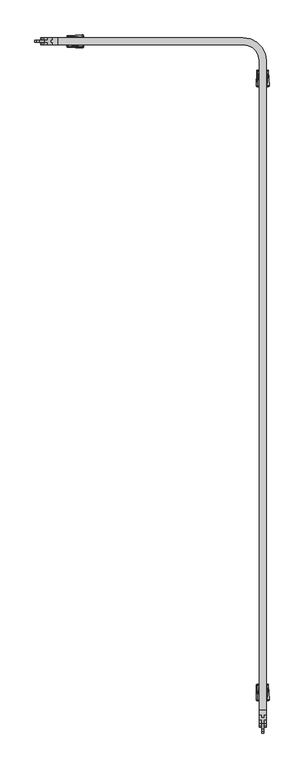
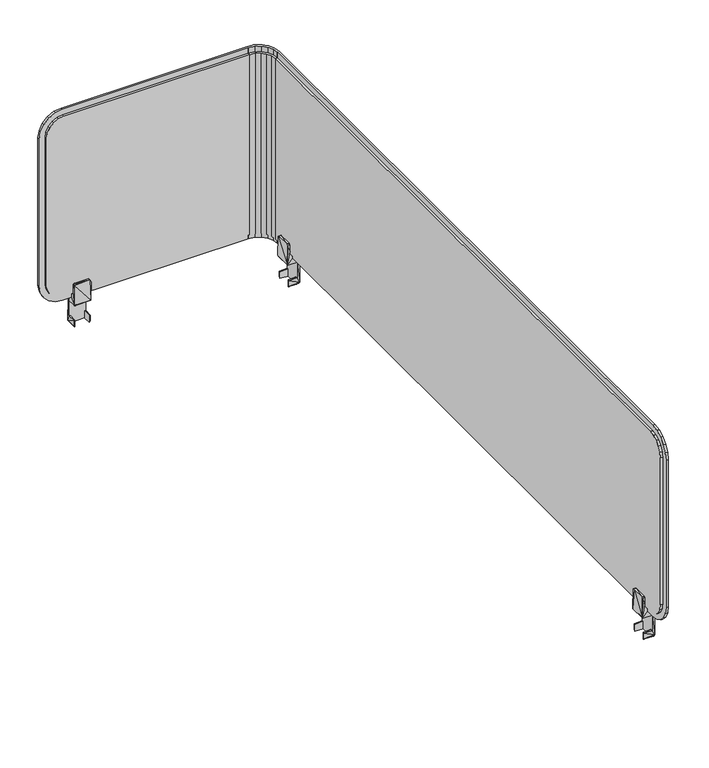
"""IFC4 building model written with IfcOpenShell, lengths in millimetres: furniture geometry."""

from ifc_helpers import new_model, si_unit, origin, place, context, project, spatial, triangles, source, transform, mapped, element, save


def furniture_9fd78328(model_context):
    return source(origin(), model_context, "Body", "Tessellation", [
        triangles([(2878.1908621, 2511.8171302, 1058.9999674), (3227.9408437, 2511.8171302, 1089.0000257), (2908.1908478, 2511.8171302, 1089.0000257), (3227.9408437, 2511.8171302, 760.9999884), (2878.1908621, 2511.8171302, 790.9999741), (2908.1908478, 2511.8171302, 760.9999884), (2879.6588685, 2511.8171302, 781.7290283), (2883.9198729, 2511.8171302, 773.3660213), (2890.5568225, 2511.8171302, 766.7289991), (2898.9198294, 2511.8171302, 762.4679947), (2879.6588685, 2511.8171302, 1068.2709858), (2883.9198729, 2511.8171302, 1076.6339928), (2890.5568225, 2511.8171302, 1083.271015), (2898.9198294, 2511.8171302, 1087.5320194), (3238.2218296, 2514.2041302, 760.9999884), (3228.4408496, 2511.816131, 760.9999884), (3228.4408496, 2515.8161321, 760.9999884), (3236.9858585, 2510.4001291, 760.9999884), (3247.0408407, 2509.6761362, 760.9999884), (3244.6888404, 2506.4401328, 760.9999884), (3254.0498242, 2502.6671346, 760.9999884), (3250.8138299, 2500.3151342, 760.9999884), (3258.5778545, 2493.8481325, 760.9999884), (3254.7738352, 2492.6121342, 760.9999884), (3260.1898564, 2484.0671343, 760.9999884), (3256.1898462, 2484.0671343, 760.9999884), (3236.9858585, 2510.4001291, 1089.0000257), (3228.4408496, 2511.816131, 1089.0000257), (3244.6888404, 2506.4401328, 1089.0000257), (3250.8138299, 2500.3151342, 1089.0000257), (3254.7738352, 2492.6121342, 1089.0000257), (3256.1898462, 2484.0671343, 1089.0000257), (3256.1908272, 2483.5671285, 1089.0000257), (3260.1908374, 2483.5671285, 760.9999884), (3256.1908272, 2483.5671285, 760.9999884), (3260.1908374, 2483.5671285, 1089.0000257), (3264.1908476, 2483.5671285, 760.9999884), (3264.1908476, 2483.5671285, 1089.0000257), (3267.1908462, 2483.5671285, 760.9999884), (3267.1908462, 2483.5671285, 1089.0000257), (3264.1908476, 2483.5671285, 751.0000174), (3260.1908374, 2483.5671285, 751.0000174), (3260.1908374, 2483.5671285, 1098.9999968), (3264.1908476, 2483.5671285, 1098.9999968), (3256.1908272, 1333.817159, 1058.9999674), (3256.1908272, 1333.817159, 790.9999741), (3256.1908272, 1363.8171447, 760.9999884), (3256.1908272, 1335.2851653, 781.7290283), (3256.1908272, 1339.5460971, 773.3660213), (3256.1908272, 1363.8171447, 1089.0000257), (3256.1908272, 1335.2851653, 1068.2709858), (3256.1908272, 1339.5460971, 1076.6339928), (3256.1908272, 1346.1831193, 1083.271015), (3256.1908272, 1354.5471437, 1087.5320194), (3256.1908272, 1346.1831193, 766.7289991), (3256.1908272, 1354.5471437, 762.4679947), (3227.9408437, 2519.8171324, 760.9999884), (3227.9408437, 2515.8171313, 751.0000174), (3227.9408437, 2519.8171324, 751.0000174), (3227.9408437, 2515.8171313, 760.9999884), (3227.9408437, 2519.8171324, 1089.0000257), (3227.9408437, 2515.8171313, 1089.0000257), (3227.9408437, 2519.8171324, 1098.9999968), (3227.9408437, 2515.8171313, 1098.9999968), (3227.9408437, 2522.817131, 1089.0000257), (3227.9408437, 2522.817131, 760.9999884), (3228.4408496, 2519.8161332, 1089.0000257), (3228.4408496, 2515.8161321, 1098.9999968), (3228.4408496, 2519.8161332, 1098.9999968), (3228.4408496, 2515.8161321, 1089.0000257), (3228.4408496, 2519.8161332, 751.0000174), (3228.4408496, 2515.8161321, 751.0000174), (3228.4408496, 2519.8161332, 760.9999884), (3228.4408496, 2522.817131, 1089.0000257), (3228.4408496, 2522.817131, 760.9999884), (3264.1898303, 2484.0671343, 760.9999884), (3260.1898564, 2484.0671343, 751.0000174), (3264.1898303, 2484.0671343, 751.0000174), (3264.1898303, 2484.0671343, 1089.0000257), (3260.1898564, 2484.0671343, 1089.0000257), (3264.1898303, 2484.0671343, 1098.9999968), (3260.1898564, 2484.0671343, 1098.9999968), (3267.1908462, 2484.0671343, 1089.0000257), (3267.1908462, 2484.0671343, 760.9999884), (3266.2328378, 2496.178132, 760.9999884), (3268.1908579, 2483.8171314, 1089.0000257), (3268.1908579, 2483.8171314, 760.9999884), (3266.2328378, 2496.178132, 1089.0000257), (3260.5518256, 2507.3281328, 760.9999884), (3260.5518256, 2507.3281328, 1089.0000257), (3251.7018571, 2516.1781285, 760.9999884), (3251.7018571, 2516.1781285, 1089.0000257), (3240.5518472, 2521.8591317, 760.9999884), (3240.5518472, 2521.8591317, 1089.0000257), (3228.1908285, 2523.8171336, 760.9999884), (3228.1908285, 2523.8171336, 1089.0000257), (2908.1908478, 2515.8171313, 760.9999884), (2908.1908478, 2515.8171313, 1089.0000257), (2878.1908621, 2515.8171313, 790.9999741), (2879.6588685, 2515.8171313, 781.7290283), (2883.9198729, 2515.8171313, 773.3660213), (2890.5568225, 2515.8171313, 766.7289991), (2898.9198294, 2515.8171313, 762.4679947), (2878.1908621, 2515.8171313, 1058.9999674), (2898.9198294, 2515.8171313, 1087.5320194), (2890.5568225, 2515.8171313, 1083.271015), (2883.9198729, 2515.8171313, 1076.6339928), (2879.6588685, 2515.8171313, 1068.2709858), (3258.5778545, 2493.8481325, 1089.0000257), (3254.0498242, 2502.6671346, 1089.0000257), (3247.0408407, 2509.6761362, 1089.0000257), (3238.2218296, 2514.2041302, 1089.0000257), (3260.1908374, 1363.8171447, 1089.0000257), (3260.1908374, 1363.8171447, 760.9999884), (3260.1908374, 1333.817159, 1058.9999674), (3260.1908374, 1335.2851653, 1068.2709858), (3260.1908374, 1339.5460971, 1076.6339928), (3260.1908374, 1346.1831193, 1083.271015), (3260.1908374, 1354.5471437, 1087.5320194), (3260.1908374, 1333.817159, 790.9999741), (3260.1908374, 1354.5471437, 762.4679947), (3260.1908374, 1346.1831193, 766.7289991), (3260.1908374, 1339.5460971, 773.3660213), (3260.1908374, 1335.2851653, 781.7290283), (3239.457837, 2518.0081313, 751.0000174), (3238.2218296, 2514.2041302, 751.0000174), (3249.3918236, 2512.9121306, 751.0000174), (3247.0408407, 2509.6761362, 751.0000174), (3254.0498242, 2502.6671346, 751.0000174), (3257.2858549, 2505.0181357, 751.0000174), (3258.5778545, 2493.8481325, 751.0000174), (3262.3818374, 2495.0841308, 751.0000174), (2908.1908478, 2515.8171313, 751.0000174), (2908.1908478, 2519.8171324, 751.0000174), (3260.1908374, 1363.8171447, 751.0000174), (3264.1908476, 1363.8171447, 751.0000174), (3239.457837, 2518.0081313, 760.9999884), (3249.3918236, 2512.9121306, 760.9999884), (3257.2858549, 2505.0181357, 760.9999884), (3262.3818374, 2495.0841308, 760.9999884), (2908.1908478, 2519.8171324, 760.9999884), (2908.1908478, 2523.8171336, 760.9999884), (3268.1908579, 1363.8171447, 760.9999884), (3264.1908476, 1363.8171447, 760.9999884), (2908.1908478, 2519.8171324, 1089.0000257), (2908.1908478, 2519.8171324, 1098.9999968), (2895.8298291, 2519.8171324, 1097.0419767), (2898.9198294, 2519.8171324, 1087.5320194), (2884.6798556, 2519.8171324, 1091.3610008), (2890.5568225, 2519.8171324, 1083.271015), (2875.8298144, 2519.8171324, 1082.5110323), (2883.9198729, 2519.8171324, 1076.6339928), (2870.1488385, 2519.8171324, 1071.3609861), (2879.6588685, 2519.8171324, 1068.2709858), (2868.1908185, 2519.8171324, 1058.9999674), (2878.1908621, 2519.8171324, 1058.9999674), (2868.1908185, 2519.8171324, 790.9999741), (2878.1908621, 2519.8171324, 790.9999741), (2879.6588685, 2519.8171324, 781.7290283), (2870.1488385, 2519.8171324, 778.639028), (2883.9198729, 2519.8171324, 773.3660213), (2875.8298144, 2519.8171324, 767.4889818), (2890.5568225, 2519.8171324, 766.7289991), (2884.6798556, 2519.8171324, 758.6390133), (2898.9198294, 2519.8171324, 762.4679947), (2895.8298291, 2519.8171324, 752.9579647), (2908.1908478, 2523.8171336, 1089.0000257), (3239.457837, 2518.0081313, 1089.0000257), (3249.3918236, 2512.9121306, 1089.0000257), (3257.2858549, 2505.0181357, 1089.0000257), (3262.3818374, 2495.0841308, 1089.0000257), (3268.1908579, 1363.8171447, 1089.0000257), (3264.1908476, 1363.8171447, 1089.0000257), (3260.1908374, 1363.8171447, 1098.9999968), (3260.1908374, 1351.4561259, 1097.0419767), (3260.1908374, 1340.3061525, 1091.3610008), (3260.1908374, 1331.4561113, 1082.5110323), (3260.1908374, 1325.7751353, 1071.3609861), (3260.1908374, 1323.8171153, 1058.9999674), (3260.1908374, 1323.8171153, 790.9999741), (3260.1908374, 1325.7751353, 778.639028), (3260.1908374, 1331.4561113, 767.4889818), (3260.1908374, 1340.3061525, 758.6390133), (3260.1908374, 1351.4561259, 752.9579647), (2868.1908185, 2515.8171313, 1058.9999674), (2870.1488385, 2515.8171313, 1071.3609861), (2875.8298144, 2515.8171313, 1082.5110323), (2884.6798556, 2515.8171313, 1091.3610008), (2895.8298291, 2515.8171313, 1097.0419767), (2908.1908478, 2515.8171313, 1098.9999968), (2868.1908185, 2515.8171313, 790.9999741), (2870.1488385, 2515.8171313, 778.639028), (2875.8298144, 2515.8171313, 767.4889818), (2884.6798556, 2515.8171313, 758.6390133), (2895.8298291, 2515.8171313, 752.9579647), (3239.457837, 2518.0081313, 1098.9999968), (3238.2218296, 2514.2041302, 1098.9999968), (3249.3918236, 2512.9121306, 1098.9999968), (3247.0408407, 2509.6761362, 1098.9999968), (3254.0498242, 2502.6671346, 1098.9999968), (3257.2858549, 2505.0181357, 1098.9999968), (3258.5778545, 2493.8481325, 1098.9999968), (3262.3818374, 2495.0841308, 1098.9999968), (3264.1908476, 1363.8171447, 1098.9999968), (3264.1908476, 1351.4561259, 1097.0419767), (3264.1908476, 1340.3061525, 1091.3610008), (3264.1908476, 1331.4561113, 1082.5110323), (3264.1908476, 1325.7751353, 1071.3609861), (3264.1908476, 1323.8171153, 1058.9999674), (3264.1908476, 1354.5471437, 1087.5320194), (3264.1908476, 1346.1831193, 1083.271015), (3264.1908476, 1339.5460971, 1076.6339928), (3264.1908476, 1335.2851653, 1068.2709858), (3264.1908476, 1333.817159, 1058.9999674), (3264.1908476, 1333.817159, 790.9999741), (3264.1908476, 1323.8171153, 790.9999741), (3264.1908476, 1335.2851653, 781.7290283), (3264.1908476, 1325.7751353, 778.639028), (3264.1908476, 1339.5460971, 773.3660213), (3264.1908476, 1331.4561113, 767.4889818), (3264.1908476, 1346.1831193, 766.7289991), (3264.1908476, 1340.3061525, 758.6390133), (3264.1908476, 1354.5471437, 762.4679947), (3264.1908476, 1351.4561259, 752.9579647), (3268.1908579, 1354.5471437, 762.4679947), (3268.1908579, 1346.1831193, 766.7289991), (3268.1908579, 1339.5460971, 773.3660213), (3268.1908579, 1335.2851653, 781.7290283), (3268.1908579, 1333.817159, 790.9999741), (3268.1908579, 1333.817159, 1058.9999674), (3268.1908579, 1335.2851653, 1068.2709858), (3268.1908579, 1339.5460971, 1076.6339928), (3268.1908579, 1346.1831193, 1083.271015), (3268.1908579, 1354.5471437, 1087.5320194), (2878.1908621, 2523.8171336, 790.9999741), (2879.6588685, 2523.8171336, 781.7290283), (2890.5568225, 2523.8171336, 1083.271015), (2898.9198294, 2523.8171336, 1087.5320194), (2883.9198729, 2523.8171336, 1076.6339928), (2879.6588685, 2523.8171336, 1068.2709858), (2878.1908621, 2523.8171336, 1058.9999674), (2883.9198729, 2523.8171336, 773.3660213), (2890.5568225, 2523.8171336, 766.7289991), (2898.9198294, 2523.8171336, 762.4679947)], [[1, 2, 3], [4, 2, 1], [1, 5, 4], [5, 6, 4], [5, 7, 6], [7, 8, 6], [8, 9, 6], [9, 10, 6], [3, 11, 1], [3, 12, 11], [3, 13, 12], [3, 14, 13], [15, 16, 17], [15, 18, 16], [19, 18, 15], [19, 20, 18], [21, 20, 19], [21, 22, 20], [23, 22, 21], [23, 24, 22], [25, 24, 23], [25, 26, 24], [16, 27, 28], [18, 27, 16], [29, 27, 18], [20, 29, 18], [30, 29, 20], [22, 30, 20], [24, 30, 22], [31, 30, 24], [32, 31, 24], [24, 26, 32], [33, 34, 35], [36, 34, 33], [37, 34, 36], [38, 37, 36], [39, 37, 38], [40, 39, 38], [34, 41, 42], [37, 41, 34], [38, 43, 44], [36, 43, 38], [35, 45, 33], [35, 46, 45], [35, 47, 46], [47, 48, 46], [47, 49, 48], [45, 50, 33], [45, 51, 50], [51, 52, 50], [52, 53, 50], [53, 54, 50], [47, 55, 49], [47, 56, 55], [57, 58, 59], [60, 58, 57], [61, 60, 57], [62, 60, 61], [63, 62, 61], [64, 62, 63], [62, 4, 60], [2, 4, 62], [57, 65, 61], [66, 65, 57], [67, 68, 69], [70, 68, 67], [17, 70, 67], [28, 70, 17], [16, 28, 17], [17, 71, 72], [73, 71, 17], [67, 73, 17], [74, 73, 67], [75, 73, 74], [76, 77, 78], [25, 77, 76], [79, 25, 76], [80, 25, 79], [81, 80, 79], [82, 80, 81], [25, 32, 26], [80, 32, 25], [76, 83, 79], [84, 83, 76], [66, 74, 65], [75, 74, 66], [84, 40, 83], [39, 40, 84], [85, 86, 87], [88, 86, 85], [89, 88, 85], [90, 88, 89], [91, 90, 89], [92, 90, 91], [93, 92, 91], [94, 92, 93], [95, 94, 93], [96, 94, 95], [6, 60, 4], [97, 60, 6], [2, 98, 3], [62, 98, 2], [99, 7, 5], [100, 7, 99], [8, 7, 100], [101, 8, 100], [9, 8, 101], [102, 9, 101], [10, 9, 102], [103, 10, 102], [97, 10, 103], [6, 10, 97], [1, 99, 5], [104, 99, 1], [98, 14, 3], [105, 14, 98], [13, 14, 105], [106, 13, 105], [12, 13, 106], [107, 12, 106], [11, 12, 107], [108, 11, 107], [104, 11, 108], [1, 11, 104], [80, 31, 32], [109, 31, 80], [30, 31, 109], [110, 30, 109], [29, 30, 110], [111, 29, 110], [27, 29, 111], [112, 27, 111], [28, 27, 112], [70, 28, 112], [33, 113, 36], [50, 113, 33], [34, 47, 35], [114, 47, 34], [115, 51, 45], [116, 51, 115], [52, 51, 116], [117, 52, 116], [53, 52, 117], [118, 53, 117], [54, 53, 118], [119, 54, 118], [113, 54, 119], [50, 54, 113], [46, 115, 45], [120, 115, 46], [114, 56, 47], [121, 56, 114], [55, 56, 121], [122, 55, 121], [49, 55, 122], [123, 49, 122], [48, 49, 123], [124, 48, 123], [120, 48, 124], [46, 48, 120], [125, 72, 71], [125, 126, 72], [127, 126, 125], [127, 128, 126], [129, 128, 127], [130, 129, 127], [131, 129, 130], [132, 131, 130], [77, 131, 132], [78, 77, 132], [133, 59, 58], [134, 59, 133], [41, 135, 42], [136, 135, 41], [72, 15, 17], [126, 15, 72], [19, 15, 126], [128, 19, 126], [21, 19, 128], [129, 21, 128], [23, 21, 129], [131, 23, 129], [77, 23, 131], [25, 23, 77], [73, 125, 71], [137, 125, 73], [127, 125, 137], [138, 127, 137], [130, 127, 138], [139, 130, 138], [132, 130, 139], [140, 132, 139], [76, 132, 140], [78, 132, 76], [141, 66, 57], [142, 66, 141], [95, 66, 142], [75, 66, 95], [93, 75, 95], [137, 75, 93], [138, 137, 93], [137, 73, 75], [91, 138, 93], [139, 138, 91], [89, 139, 91], [140, 139, 89], [85, 140, 89], [76, 140, 85], [84, 76, 85], [87, 84, 85], [39, 84, 87], [143, 39, 87], [144, 39, 143], [37, 39, 144], [145, 63, 61], [146, 63, 145], [147, 146, 145], [145, 148, 147], [149, 147, 148], [148, 150, 149], [151, 149, 150], [150, 152, 151], [153, 151, 152], [152, 154, 153], [155, 153, 154], [154, 156, 155], [157, 155, 156], [158, 157, 156], [159, 157, 158], [160, 157, 159], [161, 160, 159], [162, 160, 161], [163, 162, 161], [164, 162, 163], [165, 164, 163], [166, 164, 165], [141, 166, 165], [134, 166, 141], [57, 134, 141], [59, 134, 57], [65, 145, 61], [167, 145, 65], [96, 167, 65], [74, 96, 65], [94, 96, 74], [168, 94, 74], [169, 94, 168], [92, 94, 169], [170, 92, 169], [90, 92, 170], [171, 90, 170], [88, 90, 171], [79, 88, 171], [83, 88, 79], [86, 88, 83], [40, 86, 83], [172, 86, 40], [173, 172, 40], [40, 38, 173], [74, 67, 168], [113, 43, 36], [174, 43, 113], [175, 174, 113], [113, 176, 175], [113, 119, 176], [119, 118, 176], [177, 176, 118], [118, 117, 177], [178, 177, 117], [117, 116, 178], [179, 178, 116], [116, 115, 179], [180, 179, 115], [120, 180, 115], [124, 180, 120], [181, 180, 124], [123, 181, 124], [182, 181, 123], [122, 182, 123], [183, 182, 122], [121, 183, 122], [114, 183, 121], [114, 184, 183], [135, 184, 114], [135, 34, 42], [114, 34, 135], [185, 108, 186], [185, 104, 108], [99, 104, 185], [107, 186, 108], [187, 186, 107], [106, 187, 107], [188, 187, 106], [105, 188, 106], [189, 188, 105], [98, 189, 105], [190, 189, 98], [62, 190, 98], [64, 190, 62], [191, 99, 185], [100, 99, 191], [192, 100, 191], [101, 100, 192], [193, 101, 192], [102, 101, 193], [194, 102, 193], [103, 102, 194], [195, 103, 194], [97, 103, 195], [133, 97, 195], [58, 97, 133], [60, 97, 58], [68, 196, 69], [68, 197, 196], [198, 196, 197], [197, 199, 198], [200, 198, 199], [201, 198, 200], [202, 201, 200], [203, 201, 202], [82, 203, 202], [81, 203, 82], [64, 146, 190], [63, 146, 64], [204, 43, 174], [44, 43, 204], [112, 68, 70], [197, 68, 112], [199, 197, 112], [111, 199, 112], [200, 199, 111], [110, 200, 111], [202, 200, 110], [109, 202, 110], [82, 202, 109], [80, 82, 109], [196, 67, 69], [168, 67, 196], [169, 168, 196], [198, 169, 196], [170, 169, 198], [201, 170, 198], [171, 170, 201], [203, 171, 201], [79, 171, 203], [81, 79, 203], [186, 155, 185], [153, 155, 186], [187, 153, 186], [151, 153, 187], [188, 151, 187], [149, 151, 188], [189, 149, 188], [147, 149, 189], [190, 147, 189], [146, 147, 190], [157, 185, 155], [191, 185, 157], [160, 191, 157], [192, 191, 160], [162, 192, 160], [193, 192, 162], [164, 193, 162], [194, 193, 164], [166, 194, 164], [195, 194, 166], [134, 195, 166], [133, 195, 134], [175, 204, 174], [205, 204, 175], [176, 205, 175], [206, 205, 176], [177, 206, 176], [207, 206, 177], [178, 207, 177], [208, 207, 178], [179, 208, 178], [209, 208, 179], [204, 38, 44], [173, 38, 204], [205, 173, 204], [206, 173, 205], [206, 210, 173], [206, 211, 210], [207, 211, 206], [207, 212, 211], [208, 212, 207], [208, 213, 212], [209, 213, 208], [209, 214, 213], [215, 214, 209], [216, 215, 209], [217, 215, 216], [218, 217, 216], [219, 217, 218], [220, 219, 218], [221, 219, 220], [222, 221, 220], [223, 221, 222], [144, 223, 222], [144, 41, 37], [136, 41, 144], [224, 136, 144], [144, 222, 224], [143, 223, 144], [225, 223, 143], [221, 223, 225], [226, 221, 225], [219, 221, 226], [227, 219, 226], [217, 219, 227], [228, 217, 227], [229, 217, 228], [215, 217, 229], [86, 172, 230], [172, 231, 230], [172, 232, 231], [230, 87, 86], [230, 229, 87], [229, 143, 87], [229, 228, 143], [228, 227, 143], [227, 226, 143], [226, 225, 143], [172, 233, 232], [172, 234, 233], [230, 213, 214], [231, 213, 230], [212, 213, 231], [232, 212, 231], [211, 212, 232], [233, 211, 232], [210, 211, 233], [234, 210, 233], [172, 210, 234], [173, 210, 172], [230, 215, 229], [214, 215, 230], [95, 167, 96], [142, 167, 95], [142, 235, 167], [142, 236, 235], [167, 237, 238], [239, 237, 167], [240, 239, 167], [167, 241, 240], [235, 241, 167], [142, 242, 236], [142, 243, 242], [142, 244, 243], [235, 156, 241], [158, 156, 235], [235, 159, 158], [236, 159, 235], [161, 159, 236], [242, 161, 236], [163, 161, 242], [243, 163, 242], [165, 163, 243], [244, 165, 243], [142, 165, 244], [141, 165, 142], [167, 148, 145], [238, 148, 167], [150, 148, 238], [237, 150, 238], [152, 150, 237], [239, 152, 237], [154, 152, 239], [240, 154, 239], [241, 154, 240], [156, 154, 241], [209, 180, 216], [179, 180, 209], [181, 216, 180], [218, 216, 181], [182, 218, 181], [220, 218, 182], [183, 220, 182], [222, 220, 183], [184, 222, 183], [224, 222, 184], [135, 224, 184], [136, 224, 135]]),
        triangles([(3268.1908579, 1408.6831561, 740.9999737), (3268.1908579, 1408.6831561, 712.4999691), (3268.1908579, 1405.8171247, 713.0000113), (3268.1908579, 1378.9511047, 740.9999737), (3268.1908579, 1381.8171361, 713.0000113), (3268.1908579, 1378.9511047, 712.4999691), (3268.1908579, 1405.8171247, 699.4169741), (3268.1908579, 1381.8171361, 699.4169741), (3272.2168476, 1408.0561595, 701.5530355), (3272.2168476, 1406.2641177, 778.7390219), (3268.5068269, 1408.8091659, 764.6909695), (3268.8288276, 1408.133117, 776.9910181), (3251.9258259, 1408.2611615, 741.5000158), (3260.3158298, 1408.6111402, 751.0000174), (3264.31584, 1408.7161483, 751.0000174), (3264.31584, 1408.7161483, 760.5000189), (3256.4408483, 1408.5091115, 764.3750004), (3252.4148586, 1407.7901147, 776.7929924), (3256.1148508, 1407.8741212, 776.8410273), (3260.3158298, 1408.6111402, 760.5000189), (3254.1908403, 1381.4501527, 712.6330278), (3254.1908403, 1381.4501527, 700.0170101), (3273.1908434, 1380.4441095, 702.053005), (3272.2168476, 1379.5781013, 776.9469801), (3268.5068269, 1378.8251676, 764.6909695), (3268.8288276, 1379.5011438, 776.9910181), (3254.1908403, 1379.3171434, 712.1340031), (3254.1908403, 1379.456161, 702.4329964), (3254.1908403, 1406.1841081, 712.6330278), (3254.1908403, 1407.9511514, 712.4990244), (3254.1908403, 1406.1841081, 700.0170101), (3272.2168476, 1381.370143, 699.7609938), (3272.2168476, 1406.2641177, 699.7609938), (3254.1908403, 1407.3911565, 701.0510313), (3254.1908403, 1408.177155, 702.4329964), (3264.31584, 1405.9221328, 760.5000189), (3264.31584, 1405.6731654, 751.0000174), (3268.5068269, 1406.1411601, 764.6909695), (3260.3158298, 1405.8171247, 760.5000189), (3256.4408483, 1405.8171247, 764.3750004), (3260.3158298, 1405.5681573, 751.0000174), (3256.4408483, 1381.8171361, 764.3750004), (3256.4408483, 1379.1251493, 764.3750004), (3260.3158298, 1381.8171361, 760.5000189), (3260.3158298, 1379.0231206, 760.5000189), (3260.3158298, 1379.0231206, 751.0000174), (3260.3158298, 1382.0661035, 751.0000174), (3264.31584, 1381.961168, 751.0000174), (3264.31584, 1378.9181125, 751.0000174), (3264.31584, 1381.712128, 760.5000189), (3264.31584, 1378.9181125, 760.5000189), (3268.5068269, 1381.4931007, 764.6909695), (3251.933856, 1379.7361585, 740.7930096), (3251.9258259, 1379.3730992, 774.4999638), (3256.1148508, 1379.7601396, 776.8410273), (3256.0698317, 1381.4751512, 778.5550215), (3256.0698317, 1406.1591096, 778.5550215), (3252.4148586, 1381.5241307, 778.4720324), (3251.9258259, 1403.8171014, 778.9440239), (3273.1908434, 1381.8701125, 777.8730137), (3267.9778258, 1405.5991147, 744.4999781), (3267.9778258, 1382.0351461, 744.4999781), (3268.8768262, 1406.3081557, 778.8140173), (3268.8768262, 1381.326105, 778.8140173), (3256.9608384, 1405.3101062, 744.4999781), (3256.9608384, 1382.3241546, 744.4999781), (3251.4408265, 1380.2300964, 741.5000158), (3251.4408265, 1407.4041644, 741.5000158), (3252.4408381, 1380.2300964, 740.5000042), (3251.9408323, 1407.4041644, 740.6340076), (3268.1908579, 2468.4331322, 740.9999737), (3268.1908579, 2468.4331322, 712.4999691), (3268.1908579, 2465.5671326, 713.0000113), (3268.1908579, 2438.7011307, 740.9999737), (3268.1908579, 2441.5671304, 713.0000113), (3268.1908579, 2438.7011307, 712.4999691), (3268.1908579, 2465.5671326, 699.4169741), (3268.1908579, 2441.5671304, 699.4169741), (3272.2168476, 2467.8061311, 701.5530355), (3272.2168476, 2466.0141302, 778.7390219), (3268.5068269, 2468.5591329, 764.6909695), (3268.8288276, 2467.883134, 776.9910181), (3251.9258259, 2468.0111331, 741.5000158), (3260.3158298, 2468.3611299, 751.0000174), (3264.31584, 2468.4661335, 751.0000174), (3264.31584, 2468.4661335, 760.5000189), (3256.4408483, 2468.259133, 764.3750004), (3252.4148586, 2467.5391325, 776.7929924), (3256.1148508, 2467.6241336, 776.8410273), (3260.3158298, 2468.3611299, 760.5000189), (3254.1908403, 2441.2001333, 712.6330278), (3254.1908403, 2441.2001333, 700.0170101), (3273.1908434, 2440.194131, 702.053005), (3272.2168476, 2439.3281319, 776.9469801), (3268.5068269, 2438.5751301, 764.6909695), (3268.8288276, 2439.2511335, 776.9910181), (3254.1908403, 2439.0681323, 712.1340031), (3254.1908403, 2439.2061326, 702.4329964), (3254.1908403, 2465.9341342, 712.6330278), (3254.1908403, 2467.701132, 712.4990244), (3254.1908403, 2465.9341342, 700.0170101), (3272.2168476, 2441.1201328, 699.7609938), (3254.1908403, 2467.1411326, 701.0510313), (3254.1908403, 2467.9281304, 702.4329964), (3264.31584, 2465.6721316, 760.5000189), (3264.31584, 2465.4231325, 751.0000174), (3268.5068269, 2465.8911317, 764.6909695), (3260.3158298, 2465.5671326, 760.5000189), (3256.4408483, 2465.5671326, 764.3750004), (3260.3158298, 2465.3181334, 751.0000174), (3256.4408483, 2441.5671304, 764.3750004), (3256.4408483, 2438.8751299, 764.3750004), (3260.3158298, 2441.5671304, 760.5000189), (3260.3158298, 2438.7731331, 760.5000189), (3260.3158298, 2438.7731331, 751.0000174), (3260.3158298, 2441.8161341, 751.0000174), (3264.31584, 2441.7111305, 751.0000174), (3264.31584, 2438.668134, 751.0000174), (3264.31584, 2441.4621313, 760.5000189), (3264.31584, 2438.668134, 760.5000189), (3268.5068269, 2441.2431313, 764.6909695), (3251.933856, 2439.48613, 740.7930096), (3251.9258259, 2439.1231299, 774.4999638), (3256.1148508, 2439.5101339, 776.8410273), (3256.0698317, 2441.2251318, 778.5550215), (3256.0698317, 2465.9091311, 778.5550215), (3252.4148586, 2441.2741341, 778.4720324), (3251.9258259, 2463.567132, 778.9440239), (3273.1908434, 2441.6201341, 777.8730137), (3267.9778258, 2465.3491317, 744.4999781), (3267.9778258, 2441.7851313, 744.4999781), (3268.8768262, 2466.0581319, 778.8140173), (3268.8768262, 2441.0751319, 778.8140173), (3256.9608384, 2465.0601323, 744.4999781), (3256.9608384, 2442.0741307, 744.4999781), (3251.4408265, 2439.9801315, 741.5000158), (3252.4408381, 2439.9801315, 740.5000042), (3251.9408323, 2467.1541314, 740.6340076), (2923.3248078, 2523.8171336, 740.9999737), (2923.3248078, 2523.8171336, 712.4999691), (2926.1908393, 2523.8171336, 713.0000113), (2953.0568593, 2523.8171336, 740.9999737), (2950.1908278, 2523.8171336, 713.0000113), (2953.0568593, 2523.8171336, 712.4999691), (2926.1908393, 2523.8171336, 699.4169741), (2950.1908278, 2523.8171336, 699.4169741), (2923.9518044, 2527.8431324, 701.5530355), (2925.7438462, 2527.8431324, 778.7390219), (2923.1988707, 2524.1331299, 764.6909695), (2923.8748469, 2524.4551306, 776.9910181), (2923.7468751, 2507.5521289, 741.5000158), (2923.3968238, 2515.9421328, 751.0000174), (2923.2918156, 2519.9421339, 751.0000174), (2923.2918156, 2519.9421339, 760.5000189), (2923.4988524, 2512.0671331, 764.3750004), (2924.2188666, 2508.0411343, 776.7929924), (2924.1338427, 2511.7411356, 776.8410273), (2923.3968238, 2515.9421328, 760.5000189), (2950.5578112, 2509.8171342, 712.6330278), (2950.5578112, 2509.8171342, 700.0170101), (2951.5638545, 2528.8171281, 702.053005), (2952.4298627, 2527.8431324, 776.9469801), (2953.182869, 2524.1331299, 764.6909695), (2952.5068202, 2524.4551306, 776.9910181), (2952.6898759, 2509.8171342, 712.1340031), (2952.5518756, 2509.8171342, 702.4329964), (2925.8238558, 2509.8171342, 712.6330278), (2924.0568125, 2509.8171342, 712.4990244), (2925.8238558, 2509.8171342, 700.0170101), (2950.6378209, 2527.8431324, 699.7609938), (2924.6168074, 2509.8171342, 701.0510313), (2923.8298642, 2509.8171342, 702.4329964), (2926.0858311, 2519.9421339, 760.5000189), (2926.3348712, 2519.9421339, 751.0000174), (2925.8668765, 2524.1331299, 764.6909695), (2926.1908393, 2515.9421328, 760.5000189), (2926.1908393, 2512.0671331, 764.3750004), (2926.4398066, 2515.9421328, 751.0000174), (2950.1908278, 2512.0671331, 764.3750004), (2952.8828147, 2512.0671331, 764.3750004), (2950.1908278, 2515.9421328, 760.5000189), (2952.9848433, 2515.9421328, 760.5000189), (2952.9848433, 2515.9421328, 751.0000174), (2949.9418605, 2515.9421328, 751.0000174), (2950.0468686, 2519.9421339, 751.0000174), (2953.0898514, 2519.9421339, 751.0000174), (2950.2958359, 2519.9421339, 760.5000189), (2953.0898514, 2519.9421339, 760.5000189), (2950.5148633, 2524.1331299, 764.6909695), (2952.2778371, 2508.0541331, 740.6340076), (2952.6348647, 2507.5521289, 774.4999638), (2952.2478243, 2511.7411356, 776.8410273), (2950.5328128, 2511.6961347, 778.5550215), (2925.8488543, 2511.6961347, 778.5550215), (2950.4838332, 2508.0411343, 778.4720324), (2928.1908625, 2507.5521289, 778.9440239), (2950.1378514, 2528.8171281, 777.8730137), (2926.4088492, 2523.6041288, 744.4999781), (2949.9728179, 2523.6041288, 744.4999781), (2925.6988635, 2524.5031291, 778.8140173), (2950.6828763, 2524.5031291, 778.8140173), (2926.6978577, 2512.5871323, 744.4999781), (2949.6838093, 2512.5871323, 744.4999781), (2951.7778676, 2507.0671294, 741.5000158), (2924.6038722, 2508.067132, 740.5000042), (2951.7778676, 2508.067132, 740.5000042), (2924.6038722, 2507.5671353, 740.6340076), (2952.2718054, 2507.5601317, 740.7930096), (2924.6038722, 2507.2011329, 740.9999737), (2924.10383, 2508.0541331, 740.6340076), (2923.737864, 2508.0441319, 740.9999737)], [[1, 2, 3], [1, 3, 4], [4, 3, 5], [4, 5, 6], [7, 8, 3], [3, 8, 5], [9, 2, 1], [9, 1, 10], [10, 1, 11], [10, 11, 12], [13, 14, 1], [1, 14, 15], [1, 15, 11], [11, 15, 16], [17, 14, 13], [18, 17, 13], [17, 18, 19], [17, 20, 14], [22, 21, 5], [22, 5, 8], [4, 6, 23], [24, 4, 23], [4, 24, 25], [25, 24, 26], [23, 6, 27], [23, 27, 28], [3, 2, 29], [29, 2, 30], [3, 29, 31], [3, 31, 7], [22, 8, 23], [22, 23, 28], [32, 8, 7], [32, 7, 33], [9, 33, 7], [5, 21, 27], [5, 27, 6], [9, 7, 31], [9, 31, 34], [9, 34, 35], [30, 2, 9], [30, 9, 35], [16, 15, 36], [36, 15, 37], [11, 16, 36], [11, 36, 38], [20, 17, 39], [39, 17, 40], [20, 39, 14], [14, 39, 41], [42, 43, 44], [44, 43, 45], [45, 46, 44], [44, 46, 47], [48, 49, 50], [50, 49, 51], [25, 52, 50], [25, 50, 51], [4, 46, 53], [53, 46, 43], [53, 43, 54], [55, 54, 43], [46, 4, 49], [25, 49, 4], [49, 25, 51], [46, 45, 43], [56, 57, 58], [58, 57, 59], [23, 60, 24], [60, 23, 32], [10, 60, 32], [10, 32, 9], [38, 61, 62], [38, 62, 52], [63, 38, 52], [63, 52, 64], [64, 52, 26], [52, 25, 26], [38, 63, 12], [12, 11, 38], [56, 40, 57], [57, 40, 19], [56, 55, 42], [56, 42, 40], [40, 42, 65], [65, 42, 66], [55, 43, 42], [40, 17, 19], [54, 55, 58], [58, 55, 56], [58, 67, 54], [54, 67, 53], [59, 18, 68], [59, 68, 67], [59, 67, 58], [67, 68, 69], [69, 68, 70], [1, 4, 70], [70, 4, 69], [53, 69, 4], [23, 8, 32], [41, 37, 14], [14, 37, 15], [47, 46, 48], [48, 46, 49], [38, 36, 37], [38, 37, 61], [61, 37, 65], [65, 37, 41], [65, 41, 40], [40, 41, 39], [59, 57, 18], [18, 57, 19], [68, 18, 13], [68, 13, 70], [13, 1, 70], [29, 30, 35], [29, 35, 31], [31, 35, 34], [22, 28, 21], [21, 28, 27], [32, 33, 9], [60, 64, 24], [24, 64, 26], [63, 64, 10], [10, 64, 60], [10, 12, 63], [48, 50, 52], [62, 48, 52], [48, 62, 66], [48, 66, 47], [42, 47, 66], [47, 42, 44], [61, 65, 66], [61, 66, 62], [69, 53, 67], [71, 72, 73], [71, 73, 74], [74, 73, 75], [74, 75, 76], [77, 78, 73], [73, 78, 75], [79, 72, 71], [79, 71, 80], [80, 71, 81], [80, 81, 82], [83, 84, 71], [71, 84, 85], [71, 85, 81], [81, 85, 86], [87, 84, 83], [88, 87, 83], [87, 88, 89], [87, 90, 84], [92, 91, 75], [92, 75, 78], [74, 76, 93], [94, 74, 93], [74, 94, 95], [95, 94, 96], [93, 76, 97], [93, 97, 98], [73, 72, 99], [99, 72, 100], [73, 99, 101], [73, 101, 77], [92, 78, 93], [92, 93, 98], [102, 78, 77], [102, 77, 79], [75, 91, 97], [75, 97, 76], [79, 77, 101], [79, 101, 103], [79, 103, 104], [100, 72, 79], [100, 79, 104], [86, 85, 105], [105, 85, 106], [81, 86, 105], [81, 105, 107], [90, 87, 108], [108, 87, 109], [90, 108, 84], [84, 108, 110], [111, 112, 113], [113, 112, 114], [114, 115, 113], [113, 115, 116], [117, 118, 119], [119, 118, 120], [95, 121, 119], [95, 119, 120], [74, 115, 122], [122, 115, 112], [122, 112, 123], [124, 123, 112], [115, 74, 118], [95, 118, 74], [118, 95, 120], [115, 114, 112], [125, 126, 127], [127, 126, 128], [93, 129, 94], [129, 93, 102], [80, 129, 102], [80, 102, 79], [107, 130, 131], [107, 131, 121], [132, 107, 121], [132, 121, 133], [133, 121, 96], [121, 95, 96], [107, 132, 82], [82, 81, 107], [125, 109, 126], [126, 109, 89], [125, 124, 111], [125, 111, 109], [109, 111, 134], [134, 111, 135], [124, 112, 111], [109, 87, 89], [123, 124, 127], [127, 124, 125], [123, 136, 122], [88, 83, 136], [88, 136, 127], [127, 136, 123], [136, 83, 137], [137, 83, 138], [71, 74, 138], [138, 74, 137], [122, 137, 74], [93, 78, 102], [110, 106, 84], [84, 106, 85], [116, 115, 117], [117, 115, 118], [107, 105, 106], [107, 106, 130], [130, 106, 134], [134, 106, 110], [134, 110, 109], [109, 110, 108], [128, 126, 88], [88, 126, 89], [88, 127, 128], [83, 71, 138], [99, 100, 104], [99, 104, 101], [101, 104, 103], [92, 98, 91], [91, 98, 97], [129, 133, 94], [94, 133, 96], [132, 133, 80], [80, 133, 129], [80, 82, 132], [117, 119, 121], [131, 117, 121], [117, 131, 135], [117, 135, 116], [111, 116, 135], [116, 111, 113], [130, 134, 135], [130, 135, 131], [137, 122, 136], [139, 140, 141], [139, 141, 142], [142, 141, 143], [142, 143, 144], [145, 146, 141], [141, 146, 143], [147, 140, 139], [147, 139, 148], [148, 139, 149], [148, 149, 150], [151, 152, 139], [139, 152, 153], [139, 153, 149], [149, 153, 154], [155, 152, 151], [156, 155, 151], [155, 156, 157], [155, 158, 152], [160, 159, 143], [160, 143, 146], [142, 144, 161], [162, 142, 161], [142, 162, 163], [163, 162, 164], [161, 144, 165], [161, 165, 166], [141, 140, 167], [167, 140, 168], [141, 167, 169], [141, 169, 145], [160, 146, 161], [160, 161, 166], [170, 146, 145], [170, 145, 147], [143, 159, 165], [143, 165, 144], [147, 145, 169], [147, 169, 171], [147, 171, 172], [168, 140, 147], [168, 147, 172], [154, 153, 173], [173, 153, 174], [149, 154, 173], [149, 173, 175], [158, 155, 176], [176, 155, 177], [158, 176, 152], [152, 176, 178], [179, 180, 181], [181, 180, 182], [182, 183, 181], [181, 183, 184], [185, 186, 187], [187, 186, 188], [163, 189, 187], [163, 187, 188], [142, 183, 190], [190, 183, 180], [190, 180, 191], [192, 191, 180], [183, 142, 186], [163, 186, 142], [186, 163, 188], [183, 182, 180], [193, 194, 195], [195, 194, 196], [161, 197, 162], [197, 161, 170], [148, 197, 170], [148, 170, 147], [175, 198, 199], [175, 199, 189], [200, 175, 189], [200, 189, 201], [201, 189, 164], [189, 163, 164], [175, 200, 150], [150, 149, 175], [193, 177, 194], [194, 177, 157], [193, 192, 179], [193, 179, 177], [177, 179, 202], [202, 179, 203], [192, 180, 179], [177, 155, 157], [191, 192, 195], [195, 192, 193], [191, 204, 190], [156, 151, 204], [156, 204, 195], [195, 204, 191], [205, 206, 207], [207, 206, 208], [208, 204, 151], [208, 151, 209], [208, 209, 207], [139, 142, 205], [205, 142, 206], [206, 142, 190], [161, 146, 170], [178, 174, 152], [152, 174, 153], [184, 183, 185], [185, 183, 186], [175, 173, 174], [175, 174, 198], [198, 174, 202], [202, 174, 178], [202, 178, 177], [177, 178, 176], [196, 194, 156], [156, 194, 157], [156, 195, 196], [210, 207, 209], [207, 210, 205], [209, 151, 211], [209, 211, 210], [151, 139, 211], [211, 139, 210], [205, 210, 139], [167, 168, 172], [167, 172, 169], [169, 172, 171], [160, 166, 159], [159, 166, 165], [197, 201, 162], [162, 201, 164], [200, 201, 148], [148, 201, 197], [148, 150, 200], [185, 187, 189], [199, 185, 189], [185, 199, 203], [185, 203, 184], [179, 184, 203], [184, 179, 181], [198, 202, 203], [198, 203, 199], [208, 206, 190], [190, 204, 208]]),
    ])


if __name__ == "__main__":
    model = new_model("IFC4")
    model_context = context("Model", 3, world=origin())
    ifc_project = project(units=[si_unit("LENGTHUNIT", "METRE", prefix="MILLI")], contexts=[model_context])
    site = spatial("IfcSite", under=ifc_project)
    building = spatial("IfcBuilding", under=site)
    placement = place(None, origin())
    furniture_shape = furniture_9fd78328(model_context)
    element("IfcFurniture", 1, at=placement, inside=building, context=model_context, shape_type="MappedRepresentation", body=[
        mapped(furniture_shape, transform((0.0, 0.0, 0.0), x_axis=(1.0, 0.0, 0.0), y_axis=(0.0, 1.0, 0.0), z_axis=(0.0, 0.0, 1.0))),
    ])
    save(model, "model.ifc")
